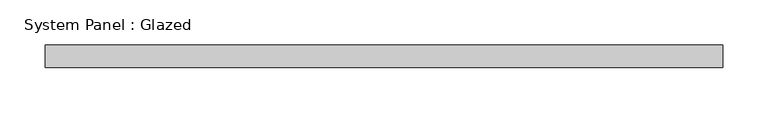
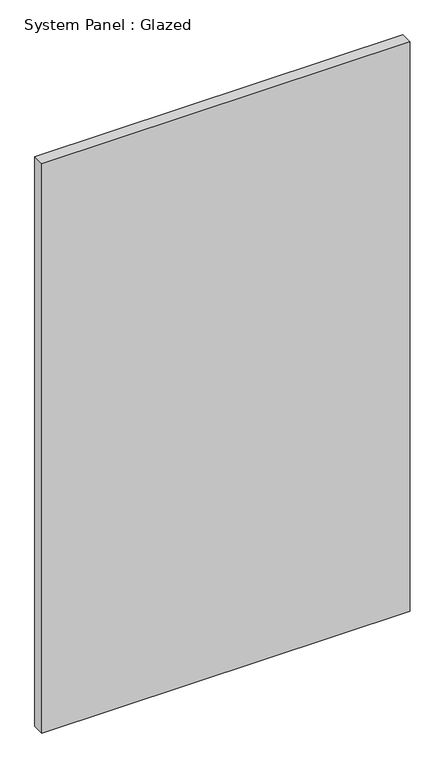
"""IFC4 building model written with IfcOpenShell, lengths in millimetres: plate geometry, System Panel : Glazed."""

from ifc_helpers import new_model, si_unit, origin, origin_with_axes, place, context, project, spatial, polyline, outline, extrude, source, transform, mapped, element, save


def system_panel_glazed_0358d5ce(model_context):
    return source(origin(), model_context, "Body", "SweptSolid", [
        extrude(outline(polyline([(374.9999998, 24.5), (-374.9999998, 24.5), (-374.9999998, 49.5), (374.9999998, 49.5), (374.9999998, 24.5)])), origin_with_axes(), (0.0, 0.0, 1.0), 1225.0),
    ])


if __name__ == "__main__":
    model = new_model("IFC4")
    model_context = context("Model", 3, world=origin())
    ifc_project = project(units=[si_unit("LENGTHUNIT", "METRE", prefix="MILLI")], contexts=[model_context])
    site = spatial("IfcSite", under=ifc_project)
    building = spatial("IfcBuilding", under=site)
    placement = place(None, origin())
    system_panel_glazed_shape = system_panel_glazed_0358d5ce(model_context)
    element("IfcPlate", 1, ObjectType="System Panel : Glazed", at=placement, inside=building, context=model_context, shape_type="MappedRepresentation", body=[
        mapped(system_panel_glazed_shape, transform((0.0, 0.0, 0.0), x_axis=(1.0, 0.0, 0.0), y_axis=(0.0, 1.0, 0.0), z_axis=(0.0, 0.0, 1.0))),
    ])
    save(model, "model.ifc")
